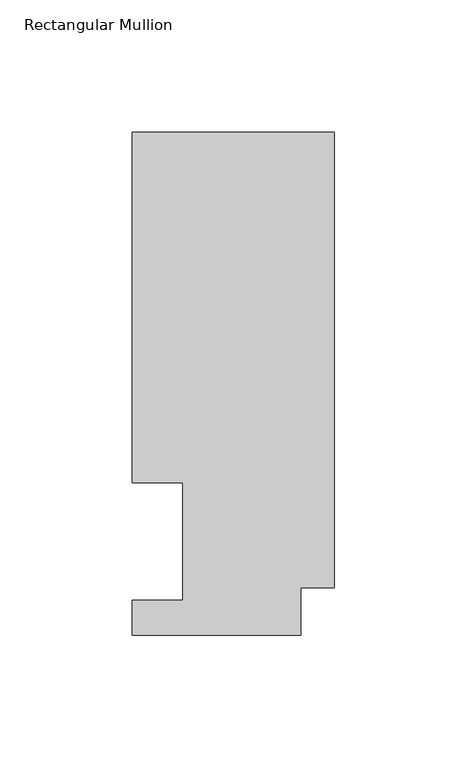
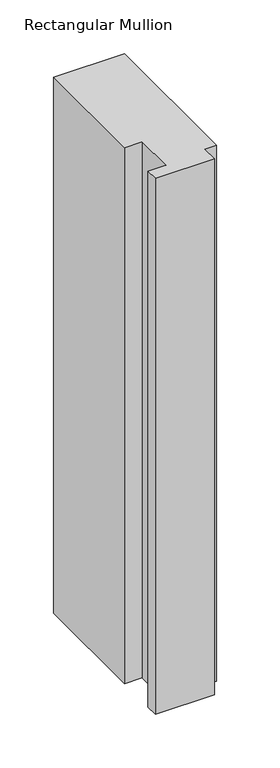
"""IFC4 building model written with IfcOpenShell, lengths in millimetres: member geometry, Rectangular Mullion."""

from ifc_helpers import new_model, si_unit, frame, origin, place, context, project, spatial, polyline, outline, extrude, source, transform, mapped, element, save


def rectangular_mullion_ec075958(model_context):
    return source(origin(), model_context, "Body", "SweptSolid", [
        extrude(outline(polyline([(-76.2, 189.8022938), (0.0, 189.8022938), (0.0, 17.9712938), (-12.7, 17.9712938), (-12.7, 0.0134938), (-76.2, 0.0134938), (-76.2, 13.1960938), (-57.15, 13.1960938), (-57.15, 57.6460937), (-76.2, 57.6460937), (-76.2, 189.8022938)])), frame((0.0, 0.0, -609.56825), z_axis=(0.0, 0.0, 1.0), x_axis=(1.0, 0.0, 0.0)), (0.0, 0.0, 1.0), 609.56825),
    ])


if __name__ == "__main__":
    model = new_model("IFC4")
    model_context = context("Model", 3, world=origin())
    ifc_project = project(units=[si_unit("LENGTHUNIT", "METRE", prefix="MILLI")], contexts=[model_context])
    site = spatial("IfcSite", under=ifc_project)
    building = spatial("IfcBuilding", under=site)
    placement = place(None, origin())
    rectangular_mullion_shape = rectangular_mullion_ec075958(model_context)
    element("IfcMember", 1, ObjectType="Rectangular Mullion", at=placement, inside=building, context=model_context, shape_type="MappedRepresentation", body=[
        mapped(rectangular_mullion_shape, transform((0.0, 0.0, 0.0), x_axis=(1.0, 0.0, 0.0), y_axis=(0.0, 1.0, 0.0), z_axis=(0.0, 0.0, 1.0))),
    ])
    save(model, "model.ifc")
